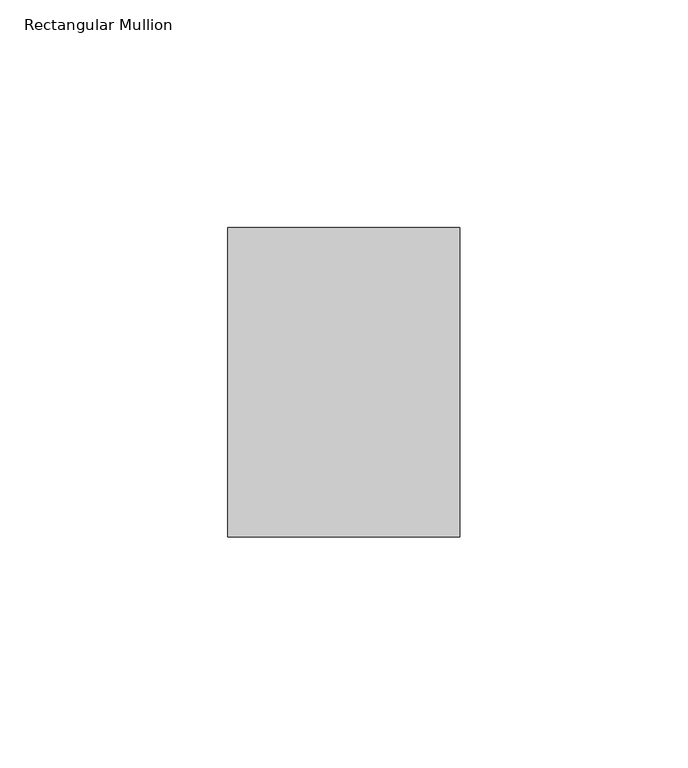
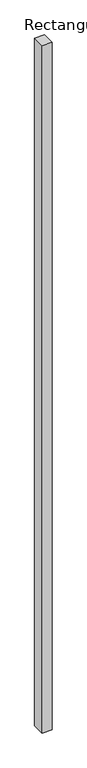
"""IFC4 building model written with IfcOpenShell, lengths in millimetres: member geometry, Rectangular Mullion."""

from ifc_helpers import new_model, si_unit, frame, origin, place, context, project, spatial, polyline, outline, extrude, source, transform, mapped, element, save


def rectangular_mullion_21f24b1d(model_context):
    return source(origin(), model_context, "Body", "SweptSolid", [
        extrude(outline(polyline([(0.0, 68.0), (0.0, 0.0), (-51.0, 0.0), (-51.0, 68.0), (0.0, 68.0)])), frame((0.0, 0.0, -3797.0), z_axis=(0.0, 0.0, 1.0), x_axis=(1.0, 0.0, 0.0)), (0.0, 0.0, 1.0), 3797.0),
    ])


if __name__ == "__main__":
    model = new_model("IFC4")
    model_context = context("Model", 3, world=origin())
    ifc_project = project(units=[si_unit("LENGTHUNIT", "METRE", prefix="MILLI")], contexts=[model_context])
    site = spatial("IfcSite", under=ifc_project)
    building = spatial("IfcBuilding", under=site)
    placement = place(None, origin())
    rectangular_mullion_shape = rectangular_mullion_21f24b1d(model_context)
    element("IfcMember", 1, ObjectType="Rectangular Mullion", at=placement, inside=building, context=model_context, shape_type="MappedRepresentation", body=[
        mapped(rectangular_mullion_shape, transform((0.0, 0.0, 0.0), x_axis=(1.0, 0.0, 0.0), y_axis=(0.0, 1.0, 0.0), z_axis=(0.0, 0.0, 1.0))),
    ])
    save(model, "model.ifc")
